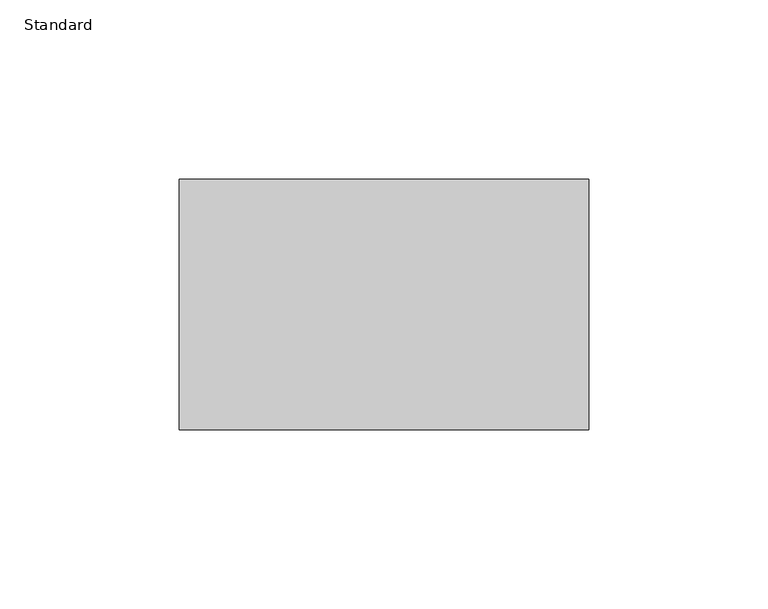
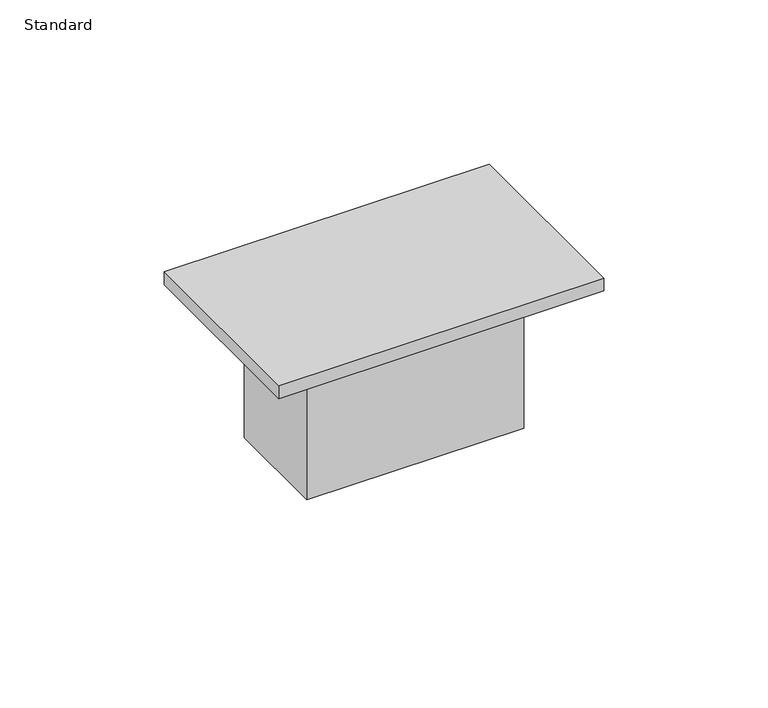
"""IFC4 building model written with IfcOpenShell, lengths in millimetres: proxy geometry, Standard."""

from ifc_helpers import new_model, si_unit, frame, origin, origin_with_axes, place, context, project, spatial, polyline, outline, extrude, source, transform, mapped, element, save


def standard_a9ebcf67(model_context):
    return source(origin(), model_context, "Body", "SweptSolid", [
        extrude(outline(polyline([(38.1, -19.05), (-38.1, -19.05), (-38.1, 19.05), (38.1, 19.05), (38.1, -19.05)])), frame((0.0, 0.0, -53.975), z_axis=(0.0, 0.0, 1.0), x_axis=(1.0, 0.0, 0.0)), (0.0, 0.0, 1.0), 53.975),
        extrude(outline(polyline([(57.15, -34.925), (-57.15, -34.925), (-57.15, 34.925), (57.15, 34.925), (57.15, -34.925)])), origin_with_axes(), (0.0, 0.0, 1.0), 4.7625),
    ])


if __name__ == "__main__":
    model = new_model("IFC4")
    model_context = context("Model", 3, world=origin())
    ifc_project = project(units=[si_unit("LENGTHUNIT", "METRE", prefix="MILLI")], contexts=[model_context])
    site = spatial("IfcSite", under=ifc_project)
    building = spatial("IfcBuilding", under=site)
    placement = place(None, origin())
    standard_shape = standard_a9ebcf67(model_context)
    element("IfcBuildingElementProxy", 1, Name="Standard", ObjectType="Standard", at=placement, inside=building, context=model_context, shape_type="MappedRepresentation", body=[
        mapped(standard_shape, transform((0.0, 0.0, 0.0), x_axis=(1.0, 0.0, 0.0), y_axis=(0.0, 1.0, 0.0), z_axis=(0.0, 0.0, 1.0))),
    ])
    save(model, "model.ifc")
